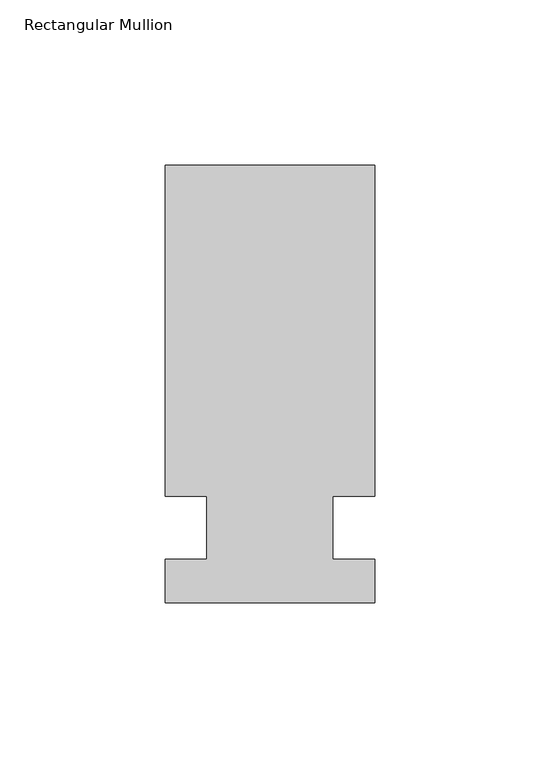
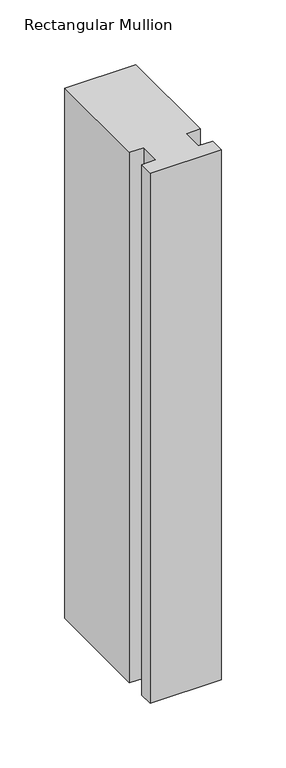
"""IFC4 building model written with IfcOpenShell, lengths in millimetres: member geometry, Rectangular Mullion."""

import ifcopenshell
import ifcopenshell.guid

model = None  # the IFC model being written
_history = None  # IfcOwnerHistory: only IFC2X3 demands one
_inside = {}  # id of a spatial element -> (the spatial element, [elements in it])
_under = {}  # id of a project, library or spatial element -> (it, [spatial elements below it])
_declared = {}  # id of a project -> (the project, [libraries it declares])
_typed = {}  # id of a type object -> (the type object, [elements of that type])
_made_of = {}  # id of a material, layer set ... -> (it, [elements and type objects made of it])


def new_model(schema):
    """Start an empty IFC model of exactly this schema.

    Asked for "IFC4X3", IfcOpenShell would pick the latest addendum, in which some entities
    have other attributes; the version numbers below select the first issue.
    IFC2X3 requires an IfcOwnerHistory on every rooted entity: one is made here for all.
    """
    global model, _history
    if schema == "IFC4X3":
        model = ifcopenshell.file(schema_version=(4, 3, 0, 0))
    else:
        model = ifcopenshell.file(schema=schema)
    _inside.clear()
    _under.clear()
    _declared.clear()
    _typed.clear()
    _made_of.clear()
    _history = None
    if model.schema == "IFC2X3":
        org = make("IfcOrganization", Name="unknown")
        user = make(
            "IfcPersonAndOrganization",
            ThePerson=make("IfcPerson", FamilyName="unknown"),
            TheOrganization=org,
        )
        app = make(
            "IfcApplication",
            ApplicationDeveloper=org,
            Version="unknown",
            ApplicationFullName="unknown",
            ApplicationIdentifier="unknown",
        )
        _history = make(
            "IfcOwnerHistory",
            OwningUser=user,
            OwningApplication=app,
            ChangeAction="ADDED",
            CreationDate=0,
        )
    return model


def make(cls, **values):
    """One entity of the class cls with the attributes given. An attribute that is None is left unset."""
    return model.create_entity(
        cls, **{name: value for name, value in values.items() if value is not None}
    )


def rooted(cls, **values):
    """An entity with a GlobalId (a new one), such as an element, a storey or a relation."""
    return make(cls, GlobalId=ifcopenshell.guid.new(), OwnerHistory=_history, **values)


def si_unit(unit_type, name, prefix=None):
    """IfcSIUnit, for example si_unit("LENGTHUNIT", "METRE", prefix="MILLI")."""
    return make("IfcSIUnit", UnitType=unit_type, Prefix=prefix, Name=name)


def assignment(units):
    """IfcUnitAssignment: the units of a project."""
    return None if units is None else make("IfcUnitAssignment", Units=units)


def point(xyz):
    """IfcCartesianPoint."""
    return None if xyz is None else make("IfcCartesianPoint", Coordinates=xyz)


def direction(xyz):
    """IfcDirection."""
    return None if xyz is None else make("IfcDirection", DirectionRatios=xyz)


def frame(location, z_axis=None, x_axis=None):
    """IfcAxis2Placement3D, a coordinate frame: its origin and axes. An axis left out is left unset."""
    return make(
        "IfcAxis2Placement3D",
        Location=point(location),
        Axis=direction(z_axis),
        RefDirection=direction(x_axis),
    )


def origin():
    """The frame at (0, 0, 0) with its axes left unset."""
    return frame((0.0, 0.0, 0.0))


def place(relative_to, where):
    """IfcLocalPlacement: puts the frame where relative to a parent placement (None: the world)."""
    return make(
        "IfcLocalPlacement", PlacementRelTo=relative_to, RelativePlacement=where
    )


def context(
    kind, dimensions, precision=None, world=None, true_north=None, identifier=None
):
    """IfcGeometricRepresentationContext, for example the 3D "Model" context."""
    return make(
        "IfcGeometricRepresentationContext",
        ContextIdentifier=identifier,
        ContextType=kind,
        CoordinateSpaceDimension=dimensions,
        Precision=precision,
        WorldCoordinateSystem=world,
        TrueNorth=true_north,
    )


def project(units=None, contexts=None):
    """IfcProject with its units and contexts."""
    return rooted(
        "IfcProject",
        Name="project",
        RepresentationContexts=contexts,
        UnitsInContext=assignment(units),
    )


def spatial(cls, under=None, at=None, **own):
    """A site, building, storey or space (cls), placed at a placement, below another one or the project."""
    s = rooted(cls, ObjectPlacement=at, **own)
    if under is not None:
        _under.setdefault(under.id(), (under, []))[1].append(s)
    return s


def polyline(points):
    """IfcPolyline through the points."""
    return make("IfcPolyline", Points=[point(p) for p in points])


def outline(outer, holes=None, kind="AREA"):
    """IfcArbitraryClosedProfileDef: a profile drawn as a closed curve; with holes, ...WithVoids."""
    if holes is None:
        return make("IfcArbitraryClosedProfileDef", ProfileType=kind, OuterCurve=outer)
    return make(
        "IfcArbitraryProfileDefWithVoids",
        ProfileType=kind,
        OuterCurve=outer,
        InnerCurves=holes,
    )


def extrude(swept, where, along, depth):
    """IfcExtrudedAreaSolid: the profile swept, set in the frame where, extruded along a direction by depth."""
    return make(
        "IfcExtrudedAreaSolid",
        SweptArea=swept,
        Position=where,
        ExtrudedDirection=direction(along),
        Depth=depth,
    )


def shape(context_of_items, identifier, shape_type, items):
    """IfcShapeRepresentation: the items that make up one representation, for example the "Body"."""
    return make(
        "IfcShapeRepresentation",
        ContextOfItems=context_of_items,
        RepresentationIdentifier=identifier,
        RepresentationType=shape_type,
        Items=items,
    )


def source(mapping_origin, context_of_items, identifier, shape_type, items):
    """IfcRepresentationMap: a shape defined once, which mapped items show again and again."""
    return make(
        "IfcRepresentationMap",
        MappingOrigin=mapping_origin,
        MappedRepresentation=shape(context_of_items, identifier, shape_type, items),
    )


def transform(
    local_origin,
    x_axis=None,
    y_axis=None,
    z_axis=None,
    scale=None,
    scale2=None,
    scale3=None,
    uniform=True,
):
    """IfcCartesianTransformationOperator3D, or its non-uniform kind. x_axis, y_axis, z_axis: its Axis1, 2, 3."""
    if uniform:
        return make(
            "IfcCartesianTransformationOperator3D",
            Axis1=direction(x_axis),
            Axis2=direction(y_axis),
            LocalOrigin=point(local_origin),
            Scale=scale,
            Axis3=direction(z_axis),
        )
    return make(
        "IfcCartesianTransformationOperator3DnonUniform",
        Axis1=direction(x_axis),
        Axis2=direction(y_axis),
        LocalOrigin=point(local_origin),
        Scale=scale,
        Axis3=direction(z_axis),
        Scale2=scale2,
        Scale3=scale3,
    )


def mapped(mapping_source, mapping_target):
    """IfcMappedItem: shows the shape of a source again, moved by a transform."""
    return make(
        "IfcMappedItem", MappingSource=mapping_source, MappingTarget=mapping_target
    )


def made_of(thing, what):
    """Note that an element or type object is made of a material, layer set ...; save() writes the relation."""
    if what is not None:
        _made_of.setdefault(what.id(), (what, []))[1].append(thing)
    return thing


def element(
    cls,
    number,
    at=None,
    inside=None,
    cuts=None,
    type_object=None,
    material=None,
    context=None,
    identifier="Body",
    shape_type=None,
    held_by="IfcProductDefinitionShape",
    body=None,
    shapes=None,
    **own,
):
    """One element of the class cls, such as IfcWall. Its Tag is "e" and its number.

    at: its placement. inside: the storey or other place that contains it. cuts: it is an
    opening in that element (IfcRelVoidsElement). A single representation is given by context,
    identifier, shape_type and body (its items); several are given by shapes. held_by: the class
    of the entity that holds the representations. save() writes the other relations.
    """
    e = rooted(cls, Tag="e%d" % number, ObjectPlacement=at, **own)
    if body is not None:
        shapes = [shape(context, identifier, shape_type, body)]
    if shapes is not None:
        e.Representation = make(held_by, Representations=shapes)
    if inside is not None:
        _inside.setdefault(inside.id(), (inside, []))[1].append(e)
    if cuts is not None:
        rooted(
            "IfcRelVoidsElement", RelatingBuildingElement=cuts, RelatedOpeningElement=e
        )
    if type_object is not None:
        _typed.setdefault(type_object.id(), (type_object, []))[1].append(e)
    return made_of(e, material)


def aggregate(whole, parts):
    """IfcRelAggregates: a whole, such as a stair, and the parts it consists of."""
    return rooted("IfcRelAggregates", RelatingObject=whole, RelatedObjects=parts)


def save(model, path):
    """Write the relations noted so far, then the file.

    IfcRelAggregates (storeys below a building ...), IfcRelContainedInSpatialStructure (elements
    in a storey), IfcRelDefinesByType, IfcRelAssociatesMaterial and IfcRelDeclares: one each for
    every whole, place, type object, material and project.
    """
    for whole, parts in _under.values():
        aggregate(whole, parts)
    for where, things in _inside.values():
        rooted(
            "IfcRelContainedInSpatialStructure",
            RelatedElements=things,
            RelatingStructure=where,
        )
    for kind, things in _typed.values():
        rooted("IfcRelDefinesByType", RelatedObjects=things, RelatingType=kind)
    for what, things in _made_of.values():
        rooted("IfcRelAssociatesMaterial", RelatedObjects=things, RelatingMaterial=what)
    for by, libraries in _declared.values():
        rooted("IfcRelDeclares", RelatingContext=by, RelatedDefinitions=libraries)
    model.write(path)


def rectangular_mullion_239031f0(model_context):
    return source(origin(), model_context, "Body", "SweptSolid", [
        extrude(outline(polyline([(-63.5, 132.6522936), (0.0, 132.6522936), (0.0, 32.2460937), (-12.7, 32.2460938), (-12.7, 13.1960936), (0.0, 13.1960936), (0.0, 0.0134937), (-63.5, 0.0134937), (-63.5, 13.1960937), (-50.8, 13.1960937), (-50.8, 32.2460937), (-63.5, 32.2460938), (-63.5, 132.6522936)])), frame((0.0, 0.0, -501.65), z_axis=(0.0, 0.0, 1.0), x_axis=(1.0, 0.0, 0.0)), (0.0, 0.0, 1.0), 501.65),
    ])


if __name__ == "__main__":
    model = new_model("IFC4")
    model_context = context("Model", 3, world=origin())
    ifc_project = project(units=[si_unit("LENGTHUNIT", "METRE", prefix="MILLI")], contexts=[model_context])
    site = spatial("IfcSite", under=ifc_project)
    building = spatial("IfcBuilding", under=site)
    placement = place(None, origin())
    rectangular_mullion_shape = rectangular_mullion_239031f0(model_context)
    element("IfcMember", 1, ObjectType="Rectangular Mullion", at=placement, inside=building, context=model_context, shape_type="MappedRepresentation", body=[
        mapped(rectangular_mullion_shape, transform((0.0, 0.0, 0.0), x_axis=(1.0, 0.0, 0.0), y_axis=(0.0, 1.0, 0.0), z_axis=(0.0, 0.0, 1.0))),
    ])
    save(model, "model.ifc")
